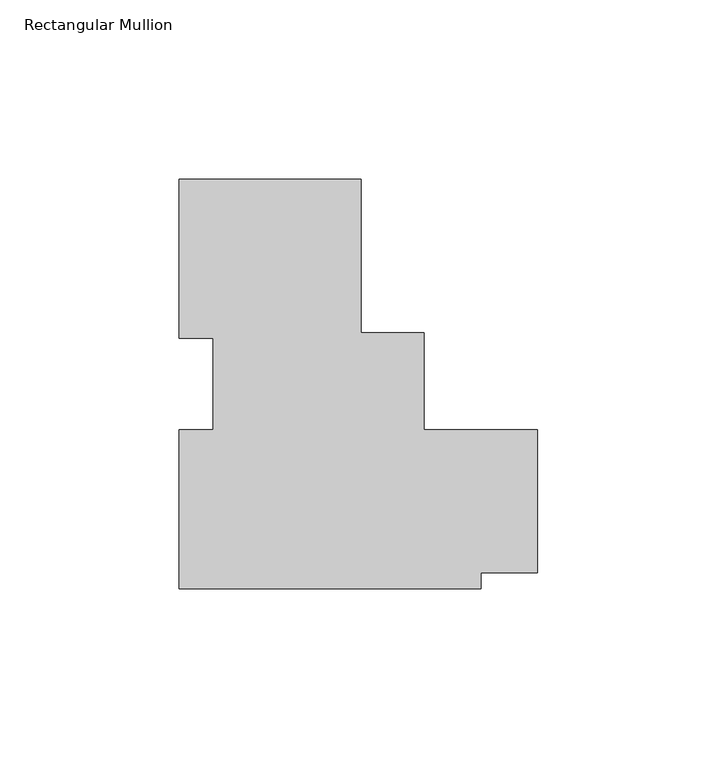
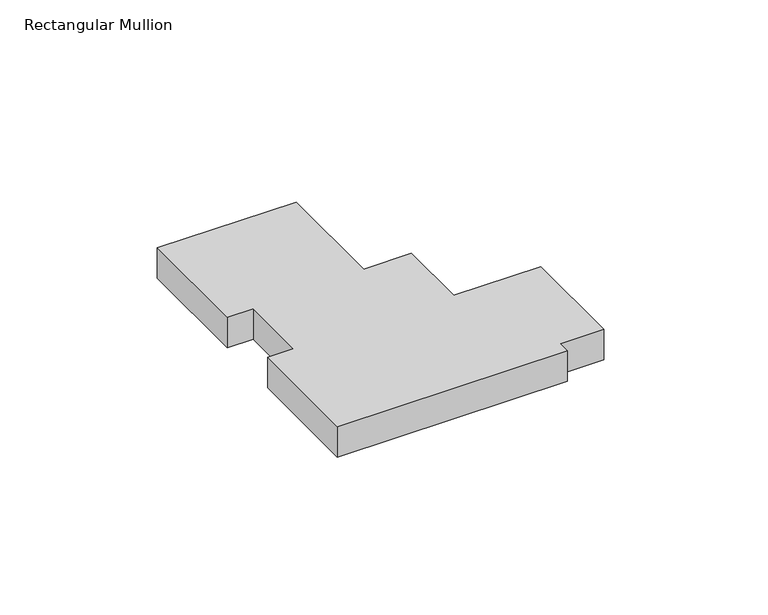
"""IFC4 building model written with IfcOpenShell, lengths in millimetres: member geometry, Rectangular Mullion."""

from ifc_helpers import new_model, si_unit, frame, origin, place, context, project, spatial, polyline, outline, extrude, source, transform, mapped, element, save


def rectangular_mullion_d7afdd67(model_context):
    return source(origin(), model_context, "Body", "SweptSolid", [
        extrude(outline(polyline([(23.368, 49.9272911), (23.368, 7.0647911), (40.9427311, 7.0647911), (40.9427311, -19.9302019), (72.690901, -19.9302019), (72.690901, -59.9353074), (56.8168106, -59.9353074), (56.8168106, -64.3900974), (-27.432, -64.3900974), (-27.432, -19.9628341), (-17.907, -19.9628341), (-17.907, 5.5248642), (-27.432, 5.5248642), (-27.432, 49.9272911), (23.368, 49.9272911)])), frame((0.0, 0.0, -11.8413835), z_axis=(0.0, 0.0, 1.0), x_axis=(1.0, 0.0, 0.0)), (0.0, 0.0, 1.0), 11.8413835),
    ])


if __name__ == "__main__":
    model = new_model("IFC4")
    model_context = context("Model", 3, world=origin())
    ifc_project = project(units=[si_unit("LENGTHUNIT", "METRE", prefix="MILLI")], contexts=[model_context])
    site = spatial("IfcSite", under=ifc_project)
    building = spatial("IfcBuilding", under=site)
    placement = place(None, origin())
    rectangular_mullion_shape = rectangular_mullion_d7afdd67(model_context)
    element("IfcMember", 1, ObjectType="Rectangular Mullion", at=placement, inside=building, context=model_context, shape_type="MappedRepresentation", body=[
        mapped(rectangular_mullion_shape, transform((0.0, 0.0, 0.0), x_axis=(1.0, 0.0, 0.0), y_axis=(0.0, 1.0, 0.0), z_axis=(0.0, 0.0, 1.0))),
    ])
    save(model, "model.ifc")
